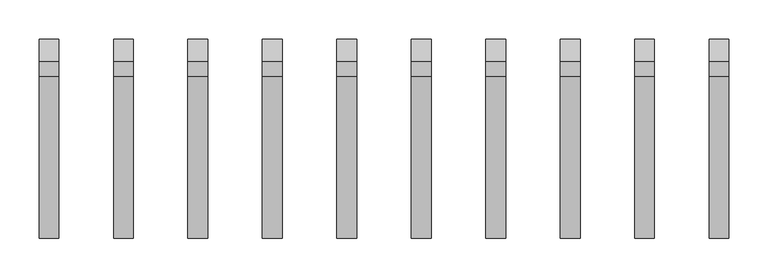
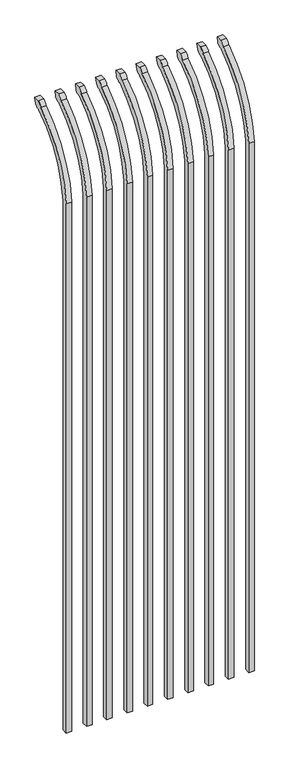
"""IFC4 building model written with IfcOpenShell, lengths in millimetres: railing geometry."""

from ifc_helpers import new_model, si_unit, point, frame, origin, place, context, project, spatial, polyline, circle_curve, ellipse_curve, trimmed, source, transform, mapped, element, save
from ifc_brep_helpers import plane_surface, cylinder_surface, revolved_surface, extruded_surface, advanced_brep


def railing_203ec3a9(model_context):
    return source(origin(), model_context, "Body", "AdvancedBrep", [
        advanced_brep(
        [(26128.4350064, 8857.619541, 50.8), (26128.4350064, 8857.619541, 2673.5226889), (26128.4350064, 9054.7326851, 3005.7022378), (26128.4350064, 9081.2407099, 3020.3867549), (26128.4350064, 9087.1100864, 3048.0), (26128.4350064, 9058.8799449, 3048.0), (26128.4350064, 9039.4931591, 3027.0682561), (26128.4350064, 8832.219541, 2673.5226889), (26128.4350064, 8832.219541, 50.8), (26103.0350064, 8857.619541, 50.8), (26103.0350064, 8857.619541, 2673.5226889), (26103.0350064, 8832.219541, 2673.5226889), (26103.0350064, 8832.219541, 50.8), (26103.0350064, 9039.4931591, 3027.0682561), (26103.0350064, 9058.8799449, 3048.0), (26103.0350064, 9087.1100864, 3048.0), (26103.0350064, 9081.2407099, 3020.3867549), (26103.0350064, 9054.7326851, 3005.7022378)],
        [
            (0, 1),
            (1, 2, circle_curve(frame((26128.4350064, 9294.9874207, 2638.5640776), z_axis=(-1.0, 0.0, 0.0), x_axis=(0.0, 1.0, 0.0)), 438.7627681)),
            (2, 3, ellipse_curve(frame((26128.4350064, 9062.5579376, 3028.1180619), z_axis=(1.0, 0.0, 0.0), x_axis=(0.0, -0.7771459614569761, -0.6293203910498311)), 26.7460194, 19.05)),
            (3, 4),
            (4, 5),
            (5, 6, ellipse_curve(frame((26128.4350064, 9062.5579376, 3028.1180619), z_axis=(0.9999999999999999, 0.0, 0.0), x_axis=(0.0, -0.7771459614569769, -0.62932039104983)), 26.7460194, 19.05)),
            (6, 7, circle_curve(frame((26128.4350064, 9294.0333244, 2640.3065933), z_axis=(1.0, 0.0, 0.0), x_axis=(0.0, 1.0, 0.0)), 463.0067812)),
            (7, 8),
            (8, 0),
            (0, 9),
            (9, 10),
            (10, 1),
            (7, 11),
            (11, 12),
            (12, 8),
            (12, 9),
            (11, 13, circle_curve(frame((26103.0350064, 9294.0333244, 2640.3065933), z_axis=(-1.0, 0.0, 0.0), x_axis=(0.0, 1.0, 0.0)), 463.0067812)),
            (13, 14, ellipse_curve(frame((26103.0350064, 9062.5579376, 3028.1180619), z_axis=(-0.9999999999999999, 0.0, 0.0), x_axis=(0.0, -0.7771459614569769, -0.62932039104983)), 26.7460194, 19.05)),
            (14, 15),
            (15, 16),
            (16, 17, ellipse_curve(frame((26103.0350064, 9062.5579376, 3028.1180619), z_axis=(-1.0, 0.0, 0.0), x_axis=(0.0, -0.7771459614569761, -0.6293203910498311)), 26.7460194, 19.05)),
            (17, 10, circle_curve(frame((26103.0350064, 9294.9874207, 2638.5640776), z_axis=(1.0, 0.0, 0.0), x_axis=(0.0, 1.0, 0.0)), 438.7627681)),
            (17, 2),
            (16, 3),
            (15, 4),
            (14, 5),
            (13, 6),
        ],
        [
            plane_surface(frame((26128.4350064, 8857.619541, 50.8), z_axis=(1.0, 0.0, 0.0), x_axis=(0.0, 0.0, 1.0))),
            plane_surface(frame((26128.4350064, 8857.619541, 50.8), z_axis=(0.0, 1.0, 0.0), x_axis=(-1.0, 0.0, 0.0))),
            plane_surface(frame((26128.4350064, 8832.219541, 2673.5226889), z_axis=(0.0, -1.0, 0.0), x_axis=(-1.0, 0.0, 0.0))),
            plane_surface(frame((26128.4350064, 8832.219541, 50.8), z_axis=(0.0, 0.0, -1.0), x_axis=(-1.0, 0.0, 0.0))),
            plane_surface(frame((26103.0350064, 8857.619541, 50.8), z_axis=(-1.0, 0.0, 0.0), x_axis=(0.0, 0.0, -1.0))),
            revolved_surface(polyline([(26103.0350064, 9733.750188799999, 2638.5640776), (26128.4350064, 9733.750188799999, 2638.5640776)]), (26103.0350064, 9294.9874207, 2638.5640776), (-1.0, 0.0, 0.0)),
            extruded_surface(trimmed(ellipse_curve(frame((26077.6350064, 9062.5579376, 3028.1180619), z_axis=(1.0, 0.0, 0.0), x_axis=(0.0, -0.7771459614569761, -0.6293203910498311)), 26.7460194, 19.05), [point((26077.6350064, 9054.7326851, 3005.7022378))], [point((26077.6350064, 9081.2407099, 3020.3867549))], True, "CARTESIAN"), (25.400000000001455, 0.0, 0.0), 25.400000000001455),
            plane_surface(frame((26128.4350064, 9081.2407099, 3020.3867549), z_axis=(0.0, 0.9781476007338016, -0.2079116908177787), x_axis=(-1.0, 0.0, 0.0))),
            plane_surface(frame((26128.4350064, 9087.1100864, 3048.0), z_axis=(0.0, 0.0, 1.0), x_axis=(-1.0, 0.0, 0.0))),
            extruded_surface(trimmed(ellipse_curve(frame((26077.6350064, 9062.5579376, 3028.1180619), z_axis=(0.9999999999999999, 0.0, 0.0), x_axis=(0.0, -0.7771459614569769, -0.62932039104983)), 26.7460194, 19.05), [point((26077.6350064, 9058.8799449, 3048.0))], [point((26077.6350064, 9039.4931591, 3027.0682561))], True, "CARTESIAN"), (25.400000000001455, 0.0, 0.0), 25.400000000001455),
            cylinder_surface(frame((26103.0350064, 9294.0333244, 2640.3065933), z_axis=(1.0, 0.0, 0.0), x_axis=(0.0, 1.0, 0.0)), 463.0067812),
        ],
        [
            (0, [[1, 2, 3, 4, 5, 6, 7, 8, 9]]),
            (1, [[-1, 10, 11, 12]]),
            (2, [[-8, 13, 14, 15]]),
            (3, [[-9, -15, 16, -10]]),
            (4, [[-16, -14, 17, 18, 19, 20, 21, 22, -11]]),
            (5, [[-2, -12, -22, 23]]),
            (6, [[-3, -23, -21, 24]]),
            (7, [[-4, -24, -20, 25]]),
            (8, [[-5, -25, -19, 26]]),
            (9, [[-6, -26, -18, 27]]),
            (10, [[-7, -27, -17, -13]]),
        ],
    ),
        advanced_brep(
        [(26033.1850064, 8857.619541, 50.8), (26033.1850064, 8857.619541, 2673.5226889), (26033.1850064, 9054.7326851, 3005.7022378), (26033.1850064, 9081.2407099, 3020.3867549), (26033.1850064, 9087.1100864, 3048.0), (26033.1850064, 9058.8799449, 3048.0), (26033.1850064, 9039.4931591, 3027.0682561), (26033.1850064, 8832.219541, 2673.5226889), (26033.1850064, 8832.219541, 50.8), (26007.7850064, 8857.619541, 50.8), (26007.7850064, 8857.619541, 2673.5226889), (26007.7850064, 8832.219541, 2673.5226889), (26007.7850064, 8832.219541, 50.8), (26007.7850064, 9039.4931591, 3027.0682561), (26007.7850064, 9058.8799449, 3048.0), (26007.7850064, 9087.1100864, 3048.0), (26007.7850064, 9081.2407099, 3020.3867549), (26007.7850064, 9054.7326851, 3005.7022378)],
        [
            (0, 1),
            (1, 2, circle_curve(frame((26033.1850064, 9294.9874207, 2638.5640776), z_axis=(-1.0, 0.0, 0.0), x_axis=(0.0, 1.0, 0.0)), 438.7627681)),
            (2, 3, ellipse_curve(frame((26033.1850064, 9062.5579376, 3028.1180619), z_axis=(1.0, 0.0, 0.0), x_axis=(0.0, -0.7771459614569761, -0.6293203910498311)), 26.7460194, 19.05)),
            (3, 4),
            (4, 5),
            (5, 6, ellipse_curve(frame((26033.1850064, 9062.5579376, 3028.1180619), z_axis=(0.9999999999999999, 0.0, 0.0), x_axis=(0.0, -0.7771459614569769, -0.62932039104983)), 26.7460194, 19.05)),
            (6, 7, circle_curve(frame((26033.1850064, 9294.0333244, 2640.3065933), z_axis=(1.0, 0.0, 0.0), x_axis=(0.0, 1.0, 0.0)), 463.0067812)),
            (7, 8),
            (8, 0),
            (0, 9),
            (9, 10),
            (10, 1),
            (7, 11),
            (11, 12),
            (12, 8),
            (12, 9),
            (11, 13, circle_curve(frame((26007.7850064, 9294.0333244, 2640.3065933), z_axis=(-1.0, 0.0, 0.0), x_axis=(0.0, 1.0, 0.0)), 463.0067812)),
            (13, 14, ellipse_curve(frame((26007.7850064, 9062.5579376, 3028.1180619), z_axis=(-0.9999999999999999, 0.0, 0.0), x_axis=(0.0, -0.7771459614569769, -0.62932039104983)), 26.7460194, 19.05)),
            (14, 15),
            (15, 16),
            (16, 17, ellipse_curve(frame((26007.7850064, 9062.5579376, 3028.1180619), z_axis=(-1.0, 0.0, 0.0), x_axis=(0.0, -0.7771459614569761, -0.6293203910498311)), 26.7460194, 19.05)),
            (17, 10, circle_curve(frame((26007.7850064, 9294.9874207, 2638.5640776), z_axis=(1.0, 0.0, 0.0), x_axis=(0.0, 1.0, 0.0)), 438.7627681)),
            (17, 2),
            (16, 3),
            (15, 4),
            (14, 5),
            (13, 6),
        ],
        [
            plane_surface(frame((26033.1850064, 8857.619541, 50.8), z_axis=(1.0, 0.0, 0.0), x_axis=(0.0, 0.0, 1.0))),
            plane_surface(frame((26033.1850064, 8857.619541, 50.8), z_axis=(0.0, 1.0, 0.0), x_axis=(-1.0, 0.0, 0.0))),
            plane_surface(frame((26033.1850064, 8832.219541, 2673.5226889), z_axis=(0.0, -1.0, 0.0), x_axis=(-1.0, 0.0, 0.0))),
            plane_surface(frame((26033.1850064, 8832.219541, 50.8), z_axis=(0.0, 0.0, -1.0), x_axis=(-1.0, 0.0, 0.0))),
            plane_surface(frame((26007.7850064, 8857.619541, 50.8), z_axis=(-1.0, 0.0, 0.0), x_axis=(0.0, 0.0, -1.0))),
            revolved_surface(polyline([(26007.7850064, 9733.750188799999, 2638.5640776), (26033.1850064, 9733.750188799999, 2638.5640776)]), (26007.7850064, 9294.9874207, 2638.5640776), (-1.0, 0.0, 0.0)),
            extruded_surface(trimmed(ellipse_curve(frame((25982.3850064, 9062.5579376, 3028.1180619), z_axis=(1.0, 0.0, 0.0), x_axis=(0.0, -0.7771459614569761, -0.6293203910498311)), 26.7460194, 19.05), [point((25982.3850064, 9054.7326851, 3005.7022378))], [point((25982.3850064, 9081.2407099, 3020.3867549))], True, "CARTESIAN"), (25.400000000001455, 0.0, 0.0), 25.400000000001455),
            plane_surface(frame((26033.1850064, 9081.2407099, 3020.3867549), z_axis=(0.0, 0.9781476007338016, -0.2079116908177787), x_axis=(-1.0, 0.0, 0.0))),
            plane_surface(frame((26033.1850064, 9087.1100864, 3048.0), z_axis=(0.0, 0.0, 1.0), x_axis=(-1.0, 0.0, 0.0))),
            extruded_surface(trimmed(ellipse_curve(frame((25982.3850064, 9062.5579376, 3028.1180619), z_axis=(0.9999999999999999, 0.0, 0.0), x_axis=(0.0, -0.7771459614569769, -0.62932039104983)), 26.7460194, 19.05), [point((25982.3850064, 9058.8799449, 3048.0))], [point((25982.3850064, 9039.4931591, 3027.0682561))], True, "CARTESIAN"), (25.400000000001455, 0.0, 0.0), 25.400000000001455),
            cylinder_surface(frame((26007.7850064, 9294.0333244, 2640.3065933), z_axis=(1.0, 0.0, 0.0), x_axis=(0.0, 1.0, 0.0)), 463.0067812),
        ],
        [
            (0, [[1, 2, 3, 4, 5, 6, 7, 8, 9]]),
            (1, [[-1, 10, 11, 12]]),
            (2, [[-8, 13, 14, 15]]),
            (3, [[-9, -15, 16, -10]]),
            (4, [[-16, -14, 17, 18, 19, 20, 21, 22, -11]]),
            (5, [[-2, -12, -22, 23]]),
            (6, [[-3, -23, -21, 24]]),
            (7, [[-4, -24, -20, 25]]),
            (8, [[-5, -25, -19, 26]]),
            (9, [[-6, -26, -18, 27]]),
            (10, [[-7, -27, -17, -13]]),
        ],
    ),
        advanced_brep(
        [(25937.9350064, 8857.619541, 50.8), (25937.9350064, 8857.619541, 2673.5226889), (25937.9350064, 9054.7326851, 3005.7022378), (25937.9350064, 9081.2407099, 3020.3867549), (25937.9350064, 9087.1100864, 3048.0), (25937.9350064, 9058.8799449, 3048.0), (25937.9350064, 9039.4931591, 3027.0682561), (25937.9350064, 8832.219541, 2673.5226889), (25937.9350064, 8832.219541, 50.8), (25912.5350064, 8857.619541, 50.8), (25912.5350064, 8857.619541, 2673.5226889), (25912.5350064, 8832.219541, 2673.5226889), (25912.5350064, 8832.219541, 50.8), (25912.5350064, 9039.4931591, 3027.0682561), (25912.5350064, 9058.8799449, 3048.0), (25912.5350064, 9087.1100864, 3048.0), (25912.5350064, 9081.2407099, 3020.3867549), (25912.5350064, 9054.7326851, 3005.7022378)],
        [
            (0, 1),
            (1, 2, circle_curve(frame((25937.9350064, 9294.9874207, 2638.5640776), z_axis=(-1.0, 0.0, 0.0), x_axis=(0.0, 1.0, 0.0)), 438.7627681)),
            (2, 3, ellipse_curve(frame((25937.9350064, 9062.5579376, 3028.1180619), z_axis=(1.0, 0.0, 0.0), x_axis=(0.0, -0.7771459614569761, -0.6293203910498311)), 26.7460194, 19.05)),
            (3, 4),
            (4, 5),
            (5, 6, ellipse_curve(frame((25937.9350064, 9062.5579376, 3028.1180619), z_axis=(0.9999999999999999, 0.0, 0.0), x_axis=(0.0, -0.7771459614569769, -0.62932039104983)), 26.7460194, 19.05)),
            (6, 7, circle_curve(frame((25937.9350064, 9294.0333244, 2640.3065933), z_axis=(1.0, 0.0, 0.0), x_axis=(0.0, 1.0, 0.0)), 463.0067812)),
            (7, 8),
            (8, 0),
            (0, 9),
            (9, 10),
            (10, 1),
            (7, 11),
            (11, 12),
            (12, 8),
            (12, 9),
            (11, 13, circle_curve(frame((25912.5350064, 9294.0333244, 2640.3065933), z_axis=(-1.0, 0.0, 0.0), x_axis=(0.0, 1.0, 0.0)), 463.0067812)),
            (13, 14, ellipse_curve(frame((25912.5350064, 9062.5579376, 3028.1180619), z_axis=(-0.9999999999999999, 0.0, 0.0), x_axis=(0.0, -0.7771459614569769, -0.62932039104983)), 26.7460194, 19.05)),
            (14, 15),
            (15, 16),
            (16, 17, ellipse_curve(frame((25912.5350064, 9062.5579376, 3028.1180619), z_axis=(-1.0, 0.0, 0.0), x_axis=(0.0, -0.7771459614569761, -0.6293203910498311)), 26.7460194, 19.05)),
            (17, 10, circle_curve(frame((25912.5350064, 9294.9874207, 2638.5640776), z_axis=(1.0, 0.0, 0.0), x_axis=(0.0, 1.0, 0.0)), 438.7627681)),
            (17, 2),
            (16, 3),
            (15, 4),
            (14, 5),
            (13, 6),
        ],
        [
            plane_surface(frame((25937.9350064, 8857.619541, 50.8), z_axis=(1.0, 0.0, 0.0), x_axis=(0.0, 0.0, 1.0))),
            plane_surface(frame((25937.9350064, 8857.619541, 50.8), z_axis=(0.0, 1.0, 0.0), x_axis=(-1.0, 0.0, 0.0))),
            plane_surface(frame((25937.9350064, 8832.219541, 2673.5226889), z_axis=(0.0, -1.0, 0.0), x_axis=(-1.0, 0.0, 0.0))),
            plane_surface(frame((25937.9350064, 8832.219541, 50.8), z_axis=(0.0, 0.0, -1.0), x_axis=(-1.0, 0.0, 0.0))),
            plane_surface(frame((25912.5350064, 8857.619541, 50.8), z_axis=(-1.0, 0.0, 0.0), x_axis=(0.0, 0.0, -1.0))),
            revolved_surface(polyline([(25912.5350064, 9733.750188799999, 2638.5640776), (25937.9350064, 9733.750188799999, 2638.5640776)]), (25912.5350064, 9294.9874207, 2638.5640776), (-1.0, 0.0, 0.0)),
            extruded_surface(trimmed(ellipse_curve(frame((25887.1350064, 9062.5579376, 3028.1180619), z_axis=(1.0, 0.0, 0.0), x_axis=(0.0, -0.7771459614569761, -0.6293203910498311)), 26.7460194, 19.05), [point((25887.1350064, 9054.7326851, 3005.7022378))], [point((25887.1350064, 9081.2407099, 3020.3867549))], True, "CARTESIAN"), (25.400000000001455, 0.0, 0.0), 25.400000000001455),
            plane_surface(frame((25937.9350064, 9081.2407099, 3020.3867549), z_axis=(0.0, 0.9781476007338016, -0.2079116908177787), x_axis=(-1.0, 0.0, 0.0))),
            plane_surface(frame((25937.9350064, 9087.1100864, 3048.0), z_axis=(0.0, 0.0, 1.0), x_axis=(-1.0, 0.0, 0.0))),
            extruded_surface(trimmed(ellipse_curve(frame((25887.1350064, 9062.5579376, 3028.1180619), z_axis=(0.9999999999999999, 0.0, 0.0), x_axis=(0.0, -0.7771459614569769, -0.62932039104983)), 26.7460194, 19.05), [point((25887.1350064, 9058.8799449, 3048.0))], [point((25887.1350064, 9039.4931591, 3027.0682561))], True, "CARTESIAN"), (25.400000000001455, 0.0, 0.0), 25.400000000001455),
            cylinder_surface(frame((25912.5350064, 9294.0333244, 2640.3065933), z_axis=(1.0, 0.0, 0.0), x_axis=(0.0, 1.0, 0.0)), 463.0067812),
        ],
        [
            (0, [[1, 2, 3, 4, 5, 6, 7, 8, 9]]),
            (1, [[-1, 10, 11, 12]]),
            (2, [[-8, 13, 14, 15]]),
            (3, [[-9, -15, 16, -10]]),
            (4, [[-16, -14, 17, 18, 19, 20, 21, 22, -11]]),
            (5, [[-2, -12, -22, 23]]),
            (6, [[-3, -23, -21, 24]]),
            (7, [[-4, -24, -20, 25]]),
            (8, [[-5, -25, -19, 26]]),
            (9, [[-6, -26, -18, 27]]),
            (10, [[-7, -27, -17, -13]]),
        ],
    ),
        advanced_brep(
        [(25842.6850064, 8857.619541, 50.8), (25842.6850064, 8857.619541, 2673.5226889), (25842.6850064, 9054.7326851, 3005.7022378), (25842.6850064, 9081.2407099, 3020.3867549), (25842.6850064, 9087.1100864, 3048.0), (25842.6850064, 9058.8799449, 3048.0), (25842.6850064, 9039.4931591, 3027.0682561), (25842.6850064, 8832.219541, 2673.5226889), (25842.6850064, 8832.219541, 50.8), (25817.2850064, 8857.619541, 50.8), (25817.2850064, 8857.619541, 2673.5226889), (25817.2850064, 8832.219541, 2673.5226889), (25817.2850064, 8832.219541, 50.8), (25817.2850064, 9039.4931591, 3027.0682561), (25817.2850064, 9058.8799449, 3048.0), (25817.2850064, 9087.1100864, 3048.0), (25817.2850064, 9081.2407099, 3020.3867549), (25817.2850064, 9054.7326851, 3005.7022378)],
        [
            (0, 1),
            (1, 2, circle_curve(frame((25842.6850064, 9294.9874207, 2638.5640776), z_axis=(-1.0, 0.0, 0.0), x_axis=(0.0, 1.0, 0.0)), 438.7627681)),
            (2, 3, ellipse_curve(frame((25842.6850064, 9062.5579376, 3028.1180619), z_axis=(1.0, 0.0, 0.0), x_axis=(0.0, -0.7771459614569761, -0.6293203910498311)), 26.7460194, 19.05)),
            (3, 4),
            (4, 5),
            (5, 6, ellipse_curve(frame((25842.6850064, 9062.5579376, 3028.1180619), z_axis=(0.9999999999999999, 0.0, 0.0), x_axis=(0.0, -0.7771459614569769, -0.62932039104983)), 26.7460194, 19.05)),
            (6, 7, circle_curve(frame((25842.6850064, 9294.0333244, 2640.3065933), z_axis=(1.0, 0.0, 0.0), x_axis=(0.0, 1.0, 0.0)), 463.0067812)),
            (7, 8),
            (8, 0),
            (0, 9),
            (9, 10),
            (10, 1),
            (7, 11),
            (11, 12),
            (12, 8),
            (12, 9),
            (11, 13, circle_curve(frame((25817.2850064, 9294.0333244, 2640.3065933), z_axis=(-1.0, 0.0, 0.0), x_axis=(0.0, 1.0, 0.0)), 463.0067812)),
            (13, 14, ellipse_curve(frame((25817.2850064, 9062.5579376, 3028.1180619), z_axis=(-0.9999999999999999, 0.0, 0.0), x_axis=(0.0, -0.7771459614569769, -0.62932039104983)), 26.7460194, 19.05)),
            (14, 15),
            (15, 16),
            (16, 17, ellipse_curve(frame((25817.2850064, 9062.5579376, 3028.1180619), z_axis=(-1.0, 0.0, 0.0), x_axis=(0.0, -0.7771459614569761, -0.6293203910498311)), 26.7460194, 19.05)),
            (17, 10, circle_curve(frame((25817.2850064, 9294.9874207, 2638.5640776), z_axis=(1.0, 0.0, 0.0), x_axis=(0.0, 1.0, 0.0)), 438.7627681)),
            (17, 2),
            (16, 3),
            (15, 4),
            (14, 5),
            (13, 6),
        ],
        [
            plane_surface(frame((25842.6850064, 8857.619541, 50.8), z_axis=(1.0, 0.0, 0.0), x_axis=(0.0, 0.0, 1.0))),
            plane_surface(frame((25842.6850064, 8857.619541, 50.8), z_axis=(0.0, 1.0, 0.0), x_axis=(-1.0, 0.0, 0.0))),
            plane_surface(frame((25842.6850064, 8832.219541, 2673.5226889), z_axis=(0.0, -1.0, 0.0), x_axis=(-1.0, 0.0, 0.0))),
            plane_surface(frame((25842.6850064, 8832.219541, 50.8), z_axis=(0.0, 0.0, -1.0), x_axis=(-1.0, 0.0, 0.0))),
            plane_surface(frame((25817.2850064, 8857.619541, 50.8), z_axis=(-1.0, 0.0, 0.0), x_axis=(0.0, 0.0, -1.0))),
            revolved_surface(polyline([(25817.2850064, 9733.750188799999, 2638.5640776), (25842.6850064, 9733.750188799999, 2638.5640776)]), (25817.2850064, 9294.9874207, 2638.5640776), (-1.0, 0.0, 0.0)),
            extruded_surface(trimmed(ellipse_curve(frame((25791.8850064, 9062.5579376, 3028.1180619), z_axis=(1.0, 0.0, 0.0), x_axis=(0.0, -0.7771459614569761, -0.6293203910498311)), 26.7460194, 19.05), [point((25791.8850064, 9054.7326851, 3005.7022378))], [point((25791.8850064, 9081.2407099, 3020.3867549))], True, "CARTESIAN"), (25.400000000001455, 0.0, 0.0), 25.400000000001455),
            plane_surface(frame((25842.6850064, 9081.2407099, 3020.3867549), z_axis=(0.0, 0.9781476007338016, -0.2079116908177787), x_axis=(-1.0, 0.0, 0.0))),
            plane_surface(frame((25842.6850064, 9087.1100864, 3048.0), z_axis=(0.0, 0.0, 1.0), x_axis=(-1.0, 0.0, 0.0))),
            extruded_surface(trimmed(ellipse_curve(frame((25791.8850064, 9062.5579376, 3028.1180619), z_axis=(0.9999999999999999, 0.0, 0.0), x_axis=(0.0, -0.7771459614569769, -0.62932039104983)), 26.7460194, 19.05), [point((25791.8850064, 9058.8799449, 3048.0))], [point((25791.8850064, 9039.4931591, 3027.0682561))], True, "CARTESIAN"), (25.400000000001455, 0.0, 0.0), 25.400000000001455),
            cylinder_surface(frame((25817.2850064, 9294.0333244, 2640.3065933), z_axis=(1.0, 0.0, 0.0), x_axis=(0.0, 1.0, 0.0)), 463.0067812),
        ],
        [
            (0, [[1, 2, 3, 4, 5, 6, 7, 8, 9]]),
            (1, [[-1, 10, 11, 12]]),
            (2, [[-8, 13, 14, 15]]),
            (3, [[-9, -15, 16, -10]]),
            (4, [[-16, -14, 17, 18, 19, 20, 21, 22, -11]]),
            (5, [[-2, -12, -22, 23]]),
            (6, [[-3, -23, -21, 24]]),
            (7, [[-4, -24, -20, 25]]),
            (8, [[-5, -25, -19, 26]]),
            (9, [[-6, -26, -18, 27]]),
            (10, [[-7, -27, -17, -13]]),
        ],
    ),
        advanced_brep(
        [(25747.4350064, 8857.619541, 50.8), (25747.4350064, 8857.619541, 2673.5226889), (25747.4350064, 9054.7326851, 3005.7022378), (25747.4350064, 9081.2407099, 3020.3867549), (25747.4350064, 9087.1100864, 3048.0), (25747.4350064, 9058.8799449, 3048.0), (25747.4350064, 9039.4931591, 3027.0682561), (25747.4350064, 8832.219541, 2673.5226889), (25747.4350064, 8832.219541, 50.8), (25722.0350064, 8857.619541, 50.8), (25722.0350064, 8857.619541, 2673.5226889), (25722.0350064, 8832.219541, 2673.5226889), (25722.0350064, 8832.219541, 50.8), (25722.0350064, 9039.4931591, 3027.0682561), (25722.0350064, 9058.8799449, 3048.0), (25722.0350064, 9087.1100864, 3048.0), (25722.0350064, 9081.2407099, 3020.3867549), (25722.0350064, 9054.7326851, 3005.7022378)],
        [
            (0, 1),
            (1, 2, circle_curve(frame((25747.4350064, 9294.9874207, 2638.5640776), z_axis=(-1.0, 0.0, 0.0), x_axis=(0.0, 1.0, 0.0)), 438.7627681)),
            (2, 3, ellipse_curve(frame((25747.4350064, 9062.5579376, 3028.1180619), z_axis=(1.0, 0.0, 0.0), x_axis=(0.0, -0.7771459614569761, -0.6293203910498311)), 26.7460194, 19.05)),
            (3, 4),
            (4, 5),
            (5, 6, ellipse_curve(frame((25747.4350064, 9062.5579376, 3028.1180619), z_axis=(0.9999999999999999, 0.0, 0.0), x_axis=(0.0, -0.7771459614569769, -0.62932039104983)), 26.7460194, 19.05)),
            (6, 7, circle_curve(frame((25747.4350064, 9294.0333244, 2640.3065933), z_axis=(1.0, 0.0, 0.0), x_axis=(0.0, 1.0, 0.0)), 463.0067812)),
            (7, 8),
            (8, 0),
            (0, 9),
            (9, 10),
            (10, 1),
            (7, 11),
            (11, 12),
            (12, 8),
            (12, 9),
            (11, 13, circle_curve(frame((25722.0350064, 9294.0333244, 2640.3065933), z_axis=(-1.0, 0.0, 0.0), x_axis=(0.0, 1.0, 0.0)), 463.0067812)),
            (13, 14, ellipse_curve(frame((25722.0350064, 9062.5579376, 3028.1180619), z_axis=(-0.9999999999999999, 0.0, 0.0), x_axis=(0.0, -0.7771459614569769, -0.62932039104983)), 26.7460194, 19.05)),
            (14, 15),
            (15, 16),
            (16, 17, ellipse_curve(frame((25722.0350064, 9062.5579376, 3028.1180619), z_axis=(-1.0, 0.0, 0.0), x_axis=(0.0, -0.7771459614569761, -0.6293203910498311)), 26.7460194, 19.05)),
            (17, 10, circle_curve(frame((25722.0350064, 9294.9874207, 2638.5640776), z_axis=(1.0, 0.0, 0.0), x_axis=(0.0, 1.0, 0.0)), 438.7627681)),
            (17, 2),
            (16, 3),
            (15, 4),
            (14, 5),
            (13, 6),
        ],
        [
            plane_surface(frame((25747.4350064, 8857.619541, 50.8), z_axis=(1.0, 0.0, 0.0), x_axis=(0.0, 0.0, 1.0))),
            plane_surface(frame((25747.4350064, 8857.619541, 50.8), z_axis=(0.0, 1.0, 0.0), x_axis=(-1.0, 0.0, 0.0))),
            plane_surface(frame((25747.4350064, 8832.219541, 2673.5226889), z_axis=(0.0, -1.0, 0.0), x_axis=(-1.0, 0.0, 0.0))),
            plane_surface(frame((25747.4350064, 8832.219541, 50.8), z_axis=(0.0, 0.0, -1.0), x_axis=(-1.0, 0.0, 0.0))),
            plane_surface(frame((25722.0350064, 8857.619541, 50.8), z_axis=(-1.0, 0.0, 0.0), x_axis=(0.0, 0.0, -1.0))),
            revolved_surface(polyline([(25722.0350064, 9733.750188799999, 2638.5640776), (25747.4350064, 9733.750188799999, 2638.5640776)]), (25722.0350064, 9294.9874207, 2638.5640776), (-1.0, 0.0, 0.0)),
            extruded_surface(trimmed(ellipse_curve(frame((25696.6350064, 9062.5579376, 3028.1180619), z_axis=(1.0, 0.0, 0.0), x_axis=(0.0, -0.7771459614569761, -0.6293203910498311)), 26.7460194, 19.05), [point((25696.6350064, 9054.7326851, 3005.7022378))], [point((25696.6350064, 9081.2407099, 3020.3867549))], True, "CARTESIAN"), (25.400000000001455, 0.0, 0.0), 25.400000000001455),
            plane_surface(frame((25747.4350064, 9081.2407099, 3020.3867549), z_axis=(0.0, 0.9781476007338016, -0.2079116908177787), x_axis=(-1.0, 0.0, 0.0))),
            plane_surface(frame((25747.4350064, 9087.1100864, 3048.0), z_axis=(0.0, 0.0, 1.0), x_axis=(-1.0, 0.0, 0.0))),
            extruded_surface(trimmed(ellipse_curve(frame((25696.6350064, 9062.5579376, 3028.1180619), z_axis=(0.9999999999999999, 0.0, 0.0), x_axis=(0.0, -0.7771459614569769, -0.62932039104983)), 26.7460194, 19.05), [point((25696.6350064, 9058.8799449, 3048.0))], [point((25696.6350064, 9039.4931591, 3027.0682561))], True, "CARTESIAN"), (25.400000000001455, 0.0, 0.0), 25.400000000001455),
            cylinder_surface(frame((25722.0350064, 9294.0333244, 2640.3065933), z_axis=(1.0, 0.0, 0.0), x_axis=(0.0, 1.0, 0.0)), 463.0067812),
        ],
        [
            (0, [[1, 2, 3, 4, 5, 6, 7, 8, 9]]),
            (1, [[-1, 10, 11, 12]]),
            (2, [[-8, 13, 14, 15]]),
            (3, [[-9, -15, 16, -10]]),
            (4, [[-16, -14, 17, 18, 19, 20, 21, 22, -11]]),
            (5, [[-2, -12, -22, 23]]),
            (6, [[-3, -23, -21, 24]]),
            (7, [[-4, -24, -20, 25]]),
            (8, [[-5, -25, -19, 26]]),
            (9, [[-6, -26, -18, 27]]),
            (10, [[-7, -27, -17, -13]]),
        ],
    ),
        advanced_brep(
        [(25652.1850064, 8857.619541, 50.8), (25652.1850064, 8857.619541, 2673.5226889), (25652.1850064, 9054.7326851, 3005.7022378), (25652.1850064, 9081.2407099, 3020.3867549), (25652.1850064, 9087.1100864, 3048.0), (25652.1850064, 9058.8799449, 3048.0), (25652.1850064, 9039.4931591, 3027.0682561), (25652.1850064, 8832.219541, 2673.5226889), (25652.1850064, 8832.219541, 50.8), (25626.7850064, 8857.619541, 50.8), (25626.7850064, 8857.619541, 2673.5226889), (25626.7850064, 8832.219541, 2673.5226889), (25626.7850064, 8832.219541, 50.8), (25626.7850064, 9039.4931591, 3027.0682561), (25626.7850064, 9058.8799449, 3048.0), (25626.7850064, 9087.1100864, 3048.0), (25626.7850064, 9081.2407099, 3020.3867549), (25626.7850064, 9054.7326851, 3005.7022378)],
        [
            (0, 1),
            (1, 2, circle_curve(frame((25652.1850064, 9294.9874207, 2638.5640776), z_axis=(-1.0, 0.0, 0.0), x_axis=(0.0, 1.0, 0.0)), 438.7627681)),
            (2, 3, ellipse_curve(frame((25652.1850064, 9062.5579376, 3028.1180619), z_axis=(1.0, 0.0, 0.0), x_axis=(0.0, -0.7771459614569761, -0.6293203910498311)), 26.7460194, 19.05)),
            (3, 4),
            (4, 5),
            (5, 6, ellipse_curve(frame((25652.1850064, 9062.5579376, 3028.1180619), z_axis=(0.9999999999999999, 0.0, 0.0), x_axis=(0.0, -0.7771459614569769, -0.62932039104983)), 26.7460194, 19.05)),
            (6, 7, circle_curve(frame((25652.1850064, 9294.0333244, 2640.3065933), z_axis=(1.0, 0.0, 0.0), x_axis=(0.0, 1.0, 0.0)), 463.0067812)),
            (7, 8),
            (8, 0),
            (0, 9),
            (9, 10),
            (10, 1),
            (7, 11),
            (11, 12),
            (12, 8),
            (12, 9),
            (11, 13, circle_curve(frame((25626.7850064, 9294.0333244, 2640.3065933), z_axis=(-1.0, 0.0, 0.0), x_axis=(0.0, 1.0, 0.0)), 463.0067812)),
            (13, 14, ellipse_curve(frame((25626.7850064, 9062.5579376, 3028.1180619), z_axis=(-0.9999999999999999, 0.0, 0.0), x_axis=(0.0, -0.7771459614569769, -0.62932039104983)), 26.7460194, 19.05)),
            (14, 15),
            (15, 16),
            (16, 17, ellipse_curve(frame((25626.7850064, 9062.5579376, 3028.1180619), z_axis=(-1.0, 0.0, 0.0), x_axis=(0.0, -0.7771459614569761, -0.6293203910498311)), 26.7460194, 19.05)),
            (17, 10, circle_curve(frame((25626.7850064, 9294.9874207, 2638.5640776), z_axis=(1.0, 0.0, 0.0), x_axis=(0.0, 1.0, 0.0)), 438.7627681)),
            (17, 2),
            (16, 3),
            (15, 4),
            (14, 5),
            (13, 6),
        ],
        [
            plane_surface(frame((25652.1850064, 8857.619541, 50.8), z_axis=(1.0, 0.0, 0.0), x_axis=(0.0, 0.0, 1.0))),
            plane_surface(frame((25652.1850064, 8857.619541, 50.8), z_axis=(0.0, 1.0, 0.0), x_axis=(-1.0, 0.0, 0.0))),
            plane_surface(frame((25652.1850064, 8832.219541, 2673.5226889), z_axis=(0.0, -1.0, 0.0), x_axis=(-1.0, 0.0, 0.0))),
            plane_surface(frame((25652.1850064, 8832.219541, 50.8), z_axis=(0.0, 0.0, -1.0), x_axis=(-1.0, 0.0, 0.0))),
            plane_surface(frame((25626.7850064, 8857.619541, 50.8), z_axis=(-1.0, 0.0, 0.0), x_axis=(0.0, 0.0, -1.0))),
            revolved_surface(polyline([(25626.7850064, 9733.750188799999, 2638.5640776), (25652.1850064, 9733.750188799999, 2638.5640776)]), (25626.7850064, 9294.9874207, 2638.5640776), (-1.0, 0.0, 0.0)),
            extruded_surface(trimmed(ellipse_curve(frame((25601.3850064, 9062.5579376, 3028.1180619), z_axis=(1.0, 0.0, 0.0), x_axis=(0.0, -0.7771459614569761, -0.6293203910498311)), 26.7460194, 19.05), [point((25601.3850064, 9054.7326851, 3005.7022378))], [point((25601.3850064, 9081.2407099, 3020.3867549))], True, "CARTESIAN"), (25.400000000001455, 0.0, 0.0), 25.400000000001455),
            plane_surface(frame((25652.1850064, 9081.2407099, 3020.3867549), z_axis=(0.0, 0.9781476007338016, -0.2079116908177787), x_axis=(-1.0, 0.0, 0.0))),
            plane_surface(frame((25652.1850064, 9087.1100864, 3048.0), z_axis=(0.0, 0.0, 1.0), x_axis=(-1.0, 0.0, 0.0))),
            extruded_surface(trimmed(ellipse_curve(frame((25601.3850064, 9062.5579376, 3028.1180619), z_axis=(0.9999999999999999, 0.0, 0.0), x_axis=(0.0, -0.7771459614569769, -0.62932039104983)), 26.7460194, 19.05), [point((25601.3850064, 9058.8799449, 3048.0))], [point((25601.3850064, 9039.4931591, 3027.0682561))], True, "CARTESIAN"), (25.400000000001455, 0.0, 0.0), 25.400000000001455),
            cylinder_surface(frame((25626.7850064, 9294.0333244, 2640.3065933), z_axis=(1.0, 0.0, 0.0), x_axis=(0.0, 1.0, 0.0)), 463.0067812),
        ],
        [
            (0, [[1, 2, 3, 4, 5, 6, 7, 8, 9]]),
            (1, [[-1, 10, 11, 12]]),
            (2, [[-8, 13, 14, 15]]),
            (3, [[-9, -15, 16, -10]]),
            (4, [[-16, -14, 17, 18, 19, 20, 21, 22, -11]]),
            (5, [[-2, -12, -22, 23]]),
            (6, [[-3, -23, -21, 24]]),
            (7, [[-4, -24, -20, 25]]),
            (8, [[-5, -25, -19, 26]]),
            (9, [[-6, -26, -18, 27]]),
            (10, [[-7, -27, -17, -13]]),
        ],
    ),
        advanced_brep(
        [(25556.9350064, 8857.619541, 50.8), (25556.9350064, 8857.619541, 2673.5226889), (25556.9350064, 9054.7326851, 3005.7022378), (25556.9350064, 9081.2407099, 3020.3867549), (25556.9350064, 9087.1100864, 3048.0), (25556.9350064, 9058.8799449, 3048.0), (25556.9350064, 9039.4931591, 3027.0682561), (25556.9350064, 8832.219541, 2673.5226889), (25556.9350064, 8832.219541, 50.8), (25531.5350064, 8857.619541, 50.8), (25531.5350064, 8857.619541, 2673.5226889), (25531.5350064, 8832.219541, 2673.5226889), (25531.5350064, 8832.219541, 50.8), (25531.5350064, 9039.4931591, 3027.0682561), (25531.5350064, 9058.8799449, 3048.0), (25531.5350064, 9087.1100864, 3048.0), (25531.5350064, 9081.2407099, 3020.3867549), (25531.5350064, 9054.7326851, 3005.7022378)],
        [
            (0, 1),
            (1, 2, circle_curve(frame((25556.9350064, 9294.9874207, 2638.5640776), z_axis=(-1.0, 0.0, 0.0), x_axis=(0.0, 1.0, 0.0)), 438.7627681)),
            (2, 3, ellipse_curve(frame((25556.9350064, 9062.5579376, 3028.1180619), z_axis=(1.0, 0.0, 0.0), x_axis=(0.0, -0.7771459614569761, -0.6293203910498311)), 26.7460194, 19.05)),
            (3, 4),
            (4, 5),
            (5, 6, ellipse_curve(frame((25556.9350064, 9062.5579376, 3028.1180619), z_axis=(0.9999999999999999, 0.0, 0.0), x_axis=(0.0, -0.7771459614569769, -0.62932039104983)), 26.7460194, 19.05)),
            (6, 7, circle_curve(frame((25556.9350064, 9294.0333244, 2640.3065933), z_axis=(1.0, 0.0, 0.0), x_axis=(0.0, 1.0, 0.0)), 463.0067812)),
            (7, 8),
            (8, 0),
            (0, 9),
            (9, 10),
            (10, 1),
            (7, 11),
            (11, 12),
            (12, 8),
            (12, 9),
            (11, 13, circle_curve(frame((25531.5350064, 9294.0333244, 2640.3065933), z_axis=(-1.0, 0.0, 0.0), x_axis=(0.0, 1.0, 0.0)), 463.0067812)),
            (13, 14, ellipse_curve(frame((25531.5350064, 9062.5579376, 3028.1180619), z_axis=(-0.9999999999999999, 0.0, 0.0), x_axis=(0.0, -0.7771459614569769, -0.62932039104983)), 26.7460194, 19.05)),
            (14, 15),
            (15, 16),
            (16, 17, ellipse_curve(frame((25531.5350064, 9062.5579376, 3028.1180619), z_axis=(-1.0, 0.0, 0.0), x_axis=(0.0, -0.7771459614569761, -0.6293203910498311)), 26.7460194, 19.05)),
            (17, 10, circle_curve(frame((25531.5350064, 9294.9874207, 2638.5640776), z_axis=(1.0, 0.0, 0.0), x_axis=(0.0, 1.0, 0.0)), 438.7627681)),
            (17, 2),
            (16, 3),
            (15, 4),
            (14, 5),
            (13, 6),
        ],
        [
            plane_surface(frame((25556.9350064, 8857.619541, 50.8), z_axis=(1.0, 0.0, 0.0), x_axis=(0.0, 0.0, 1.0))),
            plane_surface(frame((25556.9350064, 8857.619541, 50.8), z_axis=(0.0, 1.0, 0.0), x_axis=(-1.0, 0.0, 0.0))),
            plane_surface(frame((25556.9350064, 8832.219541, 2673.5226889), z_axis=(0.0, -1.0, 0.0), x_axis=(-1.0, 0.0, 0.0))),
            plane_surface(frame((25556.9350064, 8832.219541, 50.8), z_axis=(0.0, 0.0, -1.0), x_axis=(-1.0, 0.0, 0.0))),
            plane_surface(frame((25531.5350064, 8857.619541, 50.8), z_axis=(-1.0, 0.0, 0.0), x_axis=(0.0, 0.0, -1.0))),
            revolved_surface(polyline([(25531.5350064, 9733.750188799999, 2638.5640776), (25556.9350064, 9733.750188799999, 2638.5640776)]), (25531.5350064, 9294.9874207, 2638.5640776), (-1.0, 0.0, 0.0)),
            extruded_surface(trimmed(ellipse_curve(frame((25506.1350064, 9062.5579376, 3028.1180619), z_axis=(1.0, 0.0, 0.0), x_axis=(0.0, -0.7771459614569761, -0.6293203910498311)), 26.7460194, 19.05), [point((25506.1350064, 9054.7326851, 3005.7022378))], [point((25506.1350064, 9081.2407099, 3020.3867549))], True, "CARTESIAN"), (25.400000000001455, 0.0, 0.0), 25.400000000001455),
            plane_surface(frame((25556.9350064, 9081.2407099, 3020.3867549), z_axis=(0.0, 0.9781476007338016, -0.2079116908177787), x_axis=(-1.0, 0.0, 0.0))),
            plane_surface(frame((25556.9350064, 9087.1100864, 3048.0), z_axis=(0.0, 0.0, 1.0), x_axis=(-1.0, 0.0, 0.0))),
            extruded_surface(trimmed(ellipse_curve(frame((25506.1350064, 9062.5579376, 3028.1180619), z_axis=(0.9999999999999999, 0.0, 0.0), x_axis=(0.0, -0.7771459614569769, -0.62932039104983)), 26.7460194, 19.05), [point((25506.1350064, 9058.8799449, 3048.0))], [point((25506.1350064, 9039.4931591, 3027.0682561))], True, "CARTESIAN"), (25.400000000001455, 0.0, 0.0), 25.400000000001455),
            cylinder_surface(frame((25531.5350064, 9294.0333244, 2640.3065933), z_axis=(1.0, 0.0, 0.0), x_axis=(0.0, 1.0, 0.0)), 463.0067812),
        ],
        [
            (0, [[1, 2, 3, 4, 5, 6, 7, 8, 9]]),
            (1, [[-1, 10, 11, 12]]),
            (2, [[-8, 13, 14, 15]]),
            (3, [[-9, -15, 16, -10]]),
            (4, [[-16, -14, 17, 18, 19, 20, 21, 22, -11]]),
            (5, [[-2, -12, -22, 23]]),
            (6, [[-3, -23, -21, 24]]),
            (7, [[-4, -24, -20, 25]]),
            (8, [[-5, -25, -19, 26]]),
            (9, [[-6, -26, -18, 27]]),
            (10, [[-7, -27, -17, -13]]),
        ],
    ),
        advanced_brep(
        [(25461.6850064, 8857.619541, 50.8), (25461.6850064, 8857.619541, 2673.5226889), (25461.6850064, 9054.7326851, 3005.7022378), (25461.6850064, 9081.2407099, 3020.3867549), (25461.6850064, 9087.1100864, 3048.0), (25461.6850064, 9058.8799449, 3048.0), (25461.6850064, 9039.4931591, 3027.0682561), (25461.6850064, 8832.219541, 2673.5226889), (25461.6850064, 8832.219541, 50.8), (25436.2850064, 8857.619541, 50.8), (25436.2850064, 8857.619541, 2673.5226889), (25436.2850064, 8832.219541, 2673.5226889), (25436.2850064, 8832.219541, 50.8), (25436.2850064, 9039.4931591, 3027.0682561), (25436.2850064, 9058.8799449, 3048.0), (25436.2850064, 9087.1100864, 3048.0), (25436.2850064, 9081.2407099, 3020.3867549), (25436.2850064, 9054.7326851, 3005.7022378)],
        [
            (0, 1),
            (1, 2, circle_curve(frame((25461.6850064, 9294.9874207, 2638.5640776), z_axis=(-1.0, 0.0, 0.0), x_axis=(0.0, 1.0, 0.0)), 438.7627681)),
            (2, 3, ellipse_curve(frame((25461.6850064, 9062.5579376, 3028.1180619), z_axis=(1.0, 0.0, 0.0), x_axis=(0.0, -0.7771459614569761, -0.6293203910498311)), 26.7460194, 19.05)),
            (3, 4),
            (4, 5),
            (5, 6, ellipse_curve(frame((25461.6850064, 9062.5579376, 3028.1180619), z_axis=(0.9999999999999999, 0.0, 0.0), x_axis=(0.0, -0.7771459614569769, -0.62932039104983)), 26.7460194, 19.05)),
            (6, 7, circle_curve(frame((25461.6850064, 9294.0333244, 2640.3065933), z_axis=(1.0, 0.0, 0.0), x_axis=(0.0, 1.0, 0.0)), 463.0067812)),
            (7, 8),
            (8, 0),
            (0, 9),
            (9, 10),
            (10, 1),
            (7, 11),
            (11, 12),
            (12, 8),
            (12, 9),
            (11, 13, circle_curve(frame((25436.2850064, 9294.0333244, 2640.3065933), z_axis=(-1.0, 0.0, 0.0), x_axis=(0.0, 1.0, 0.0)), 463.0067812)),
            (13, 14, ellipse_curve(frame((25436.2850064, 9062.5579376, 3028.1180619), z_axis=(-0.9999999999999999, 0.0, 0.0), x_axis=(0.0, -0.7771459614569769, -0.62932039104983)), 26.7460194, 19.05)),
            (14, 15),
            (15, 16),
            (16, 17, ellipse_curve(frame((25436.2850064, 9062.5579376, 3028.1180619), z_axis=(-1.0, 0.0, 0.0), x_axis=(0.0, -0.7771459614569761, -0.6293203910498311)), 26.7460194, 19.05)),
            (17, 10, circle_curve(frame((25436.2850064, 9294.9874207, 2638.5640776), z_axis=(1.0, 0.0, 0.0), x_axis=(0.0, 1.0, 0.0)), 438.7627681)),
            (17, 2),
            (16, 3),
            (15, 4),
            (14, 5),
            (13, 6),
        ],
        [
            plane_surface(frame((25461.6850064, 8857.619541, 50.8), z_axis=(1.0, 0.0, 0.0), x_axis=(0.0, 0.0, 1.0))),
            plane_surface(frame((25461.6850064, 8857.619541, 50.8), z_axis=(0.0, 1.0, 0.0), x_axis=(-1.0, 0.0, 0.0))),
            plane_surface(frame((25461.6850064, 8832.219541, 2673.5226889), z_axis=(0.0, -1.0, 0.0), x_axis=(-1.0, 0.0, 0.0))),
            plane_surface(frame((25461.6850064, 8832.219541, 50.8), z_axis=(0.0, 0.0, -1.0), x_axis=(-1.0, 0.0, 0.0))),
            plane_surface(frame((25436.2850064, 8857.619541, 50.8), z_axis=(-1.0, 0.0, 0.0), x_axis=(0.0, 0.0, -1.0))),
            revolved_surface(polyline([(25436.2850064, 9733.750188799999, 2638.5640776), (25461.6850064, 9733.750188799999, 2638.5640776)]), (25436.2850064, 9294.9874207, 2638.5640776), (-1.0, 0.0, 0.0)),
            extruded_surface(trimmed(ellipse_curve(frame((25410.8850064, 9062.5579376, 3028.1180619), z_axis=(1.0, 0.0, 0.0), x_axis=(0.0, -0.7771459614569761, -0.6293203910498311)), 26.7460194, 19.05), [point((25410.8850064, 9054.7326851, 3005.7022378))], [point((25410.8850064, 9081.2407099, 3020.3867549))], True, "CARTESIAN"), (25.400000000001455, 0.0, 0.0), 25.400000000001455),
            plane_surface(frame((25461.6850064, 9081.2407099, 3020.3867549), z_axis=(0.0, 0.9781476007338016, -0.2079116908177787), x_axis=(-1.0, 0.0, 0.0))),
            plane_surface(frame((25461.6850064, 9087.1100864, 3048.0), z_axis=(0.0, 0.0, 1.0), x_axis=(-1.0, 0.0, 0.0))),
            extruded_surface(trimmed(ellipse_curve(frame((25410.8850064, 9062.5579376, 3028.1180619), z_axis=(0.9999999999999999, 0.0, 0.0), x_axis=(0.0, -0.7771459614569769, -0.62932039104983)), 26.7460194, 19.05), [point((25410.8850064, 9058.8799449, 3048.0))], [point((25410.8850064, 9039.4931591, 3027.0682561))], True, "CARTESIAN"), (25.400000000001455, 0.0, 0.0), 25.400000000001455),
            cylinder_surface(frame((25436.2850064, 9294.0333244, 2640.3065933), z_axis=(1.0, 0.0, 0.0), x_axis=(0.0, 1.0, 0.0)), 463.0067812),
        ],
        [
            (0, [[1, 2, 3, 4, 5, 6, 7, 8, 9]]),
            (1, [[-1, 10, 11, 12]]),
            (2, [[-8, 13, 14, 15]]),
            (3, [[-9, -15, 16, -10]]),
            (4, [[-16, -14, 17, 18, 19, 20, 21, 22, -11]]),
            (5, [[-2, -12, -22, 23]]),
            (6, [[-3, -23, -21, 24]]),
            (7, [[-4, -24, -20, 25]]),
            (8, [[-5, -25, -19, 26]]),
            (9, [[-6, -26, -18, 27]]),
            (10, [[-7, -27, -17, -13]]),
        ],
    ),
        advanced_brep(
        [(25366.4350064, 8857.619541, 50.8), (25366.4350064, 8857.619541, 2673.5226889), (25366.4350064, 9054.7326851, 3005.7022378), (25366.4350064, 9081.2407099, 3020.3867549), (25366.4350064, 9087.1100864, 3048.0), (25366.4350064, 9058.8799449, 3048.0), (25366.4350064, 9039.4931591, 3027.0682561), (25366.4350064, 8832.219541, 2673.5226889), (25366.4350064, 8832.219541, 50.8), (25341.0350064, 8857.619541, 50.8), (25341.0350064, 8857.619541, 2673.5226889), (25341.0350064, 8832.219541, 2673.5226889), (25341.0350064, 8832.219541, 50.8), (25341.0350064, 9039.4931591, 3027.0682561), (25341.0350064, 9058.8799449, 3048.0), (25341.0350064, 9087.1100864, 3048.0), (25341.0350064, 9081.2407099, 3020.3867549), (25341.0350064, 9054.7326851, 3005.7022378)],
        [
            (0, 1),
            (1, 2, circle_curve(frame((25366.4350064, 9294.9874207, 2638.5640776), z_axis=(-1.0, 0.0, 0.0), x_axis=(0.0, 1.0, 0.0)), 438.7627681)),
            (2, 3, ellipse_curve(frame((25366.4350064, 9062.5579376, 3028.1180619), z_axis=(1.0, 0.0, 0.0), x_axis=(0.0, -0.7771459614569761, -0.6293203910498311)), 26.7460194, 19.05)),
            (3, 4),
            (4, 5),
            (5, 6, ellipse_curve(frame((25366.4350064, 9062.5579376, 3028.1180619), z_axis=(0.9999999999999999, 0.0, 0.0), x_axis=(0.0, -0.7771459614569769, -0.62932039104983)), 26.7460194, 19.05)),
            (6, 7, circle_curve(frame((25366.4350064, 9294.0333244, 2640.3065933), z_axis=(1.0, 0.0, 0.0), x_axis=(0.0, 1.0, 0.0)), 463.0067812)),
            (7, 8),
            (8, 0),
            (0, 9),
            (9, 10),
            (10, 1),
            (7, 11),
            (11, 12),
            (12, 8),
            (12, 9),
            (11, 13, circle_curve(frame((25341.0350064, 9294.0333244, 2640.3065933), z_axis=(-1.0, 0.0, 0.0), x_axis=(0.0, 1.0, 0.0)), 463.0067812)),
            (13, 14, ellipse_curve(frame((25341.0350064, 9062.5579376, 3028.1180619), z_axis=(-0.9999999999999999, 0.0, 0.0), x_axis=(0.0, -0.7771459614569769, -0.62932039104983)), 26.7460194, 19.05)),
            (14, 15),
            (15, 16),
            (16, 17, ellipse_curve(frame((25341.0350064, 9062.5579376, 3028.1180619), z_axis=(-1.0, 0.0, 0.0), x_axis=(0.0, -0.7771459614569761, -0.6293203910498311)), 26.7460194, 19.05)),
            (17, 10, circle_curve(frame((25341.0350064, 9294.9874207, 2638.5640776), z_axis=(1.0, 0.0, 0.0), x_axis=(0.0, 1.0, 0.0)), 438.7627681)),
            (17, 2),
            (16, 3),
            (15, 4),
            (14, 5),
            (13, 6),
        ],
        [
            plane_surface(frame((25366.4350064, 8857.619541, 50.8), z_axis=(1.0, 0.0, 0.0), x_axis=(0.0, 0.0, 1.0))),
            plane_surface(frame((25366.4350064, 8857.619541, 50.8), z_axis=(0.0, 1.0, 0.0), x_axis=(-1.0, 0.0, 0.0))),
            plane_surface(frame((25366.4350064, 8832.219541, 2673.5226889), z_axis=(0.0, -1.0, 0.0), x_axis=(-1.0, 0.0, 0.0))),
            plane_surface(frame((25366.4350064, 8832.219541, 50.8), z_axis=(0.0, 0.0, -1.0), x_axis=(-1.0, 0.0, 0.0))),
            plane_surface(frame((25341.0350064, 8857.619541, 50.8), z_axis=(-1.0, 0.0, 0.0), x_axis=(0.0, 0.0, -1.0))),
            revolved_surface(polyline([(25341.0350064, 9733.750188799999, 2638.5640776), (25366.4350064, 9733.750188799999, 2638.5640776)]), (25341.0350064, 9294.9874207, 2638.5640776), (-1.0, 0.0, 0.0)),
            extruded_surface(trimmed(ellipse_curve(frame((25315.6350064, 9062.5579376, 3028.1180619), z_axis=(1.0, 0.0, 0.0), x_axis=(0.0, -0.7771459614569761, -0.6293203910498311)), 26.7460194, 19.05), [point((25315.6350064, 9054.7326851, 3005.7022378))], [point((25315.6350064, 9081.2407099, 3020.3867549))], True, "CARTESIAN"), (25.400000000001455, 0.0, 0.0), 25.400000000001455),
            plane_surface(frame((25366.4350064, 9081.2407099, 3020.3867549), z_axis=(0.0, 0.9781476007338016, -0.2079116908177787), x_axis=(-1.0, 0.0, 0.0))),
            plane_surface(frame((25366.4350064, 9087.1100864, 3048.0), z_axis=(0.0, 0.0, 1.0), x_axis=(-1.0, 0.0, 0.0))),
            extruded_surface(trimmed(ellipse_curve(frame((25315.6350064, 9062.5579376, 3028.1180619), z_axis=(0.9999999999999999, 0.0, 0.0), x_axis=(0.0, -0.7771459614569769, -0.62932039104983)), 26.7460194, 19.05), [point((25315.6350064, 9058.8799449, 3048.0))], [point((25315.6350064, 9039.4931591, 3027.0682561))], True, "CARTESIAN"), (25.400000000001455, 0.0, 0.0), 25.400000000001455),
            cylinder_surface(frame((25341.0350064, 9294.0333244, 2640.3065933), z_axis=(1.0, 0.0, 0.0), x_axis=(0.0, 1.0, 0.0)), 463.0067812),
        ],
        [
            (0, [[1, 2, 3, 4, 5, 6, 7, 8, 9]]),
            (1, [[-1, 10, 11, 12]]),
            (2, [[-8, 13, 14, 15]]),
            (3, [[-9, -15, 16, -10]]),
            (4, [[-16, -14, 17, 18, 19, 20, 21, 22, -11]]),
            (5, [[-2, -12, -22, 23]]),
            (6, [[-3, -23, -21, 24]]),
            (7, [[-4, -24, -20, 25]]),
            (8, [[-5, -25, -19, 26]]),
            (9, [[-6, -26, -18, 27]]),
            (10, [[-7, -27, -17, -13]]),
        ],
    ),
        advanced_brep(
        [(25271.1850064, 8857.619541, 50.8), (25271.1850064, 8857.619541, 2673.5226889), (25271.1850064, 9054.7326851, 3005.7022378), (25271.1850064, 9081.2407099, 3020.3867549), (25271.1850064, 9087.1100864, 3048.0), (25271.1850064, 9058.8799449, 3048.0), (25271.1850064, 9039.4931591, 3027.0682561), (25271.1850064, 8832.219541, 2673.5226889), (25271.1850064, 8832.219541, 50.8), (25245.7850064, 8857.619541, 50.8), (25245.7850064, 8857.619541, 2673.5226889), (25245.7850064, 8832.219541, 2673.5226889), (25245.7850064, 8832.219541, 50.8), (25245.7850064, 9039.4931591, 3027.0682561), (25245.7850064, 9058.8799449, 3048.0), (25245.7850064, 9087.1100864, 3048.0), (25245.7850064, 9081.2407099, 3020.3867549), (25245.7850064, 9054.7326851, 3005.7022378)],
        [
            (0, 1),
            (1, 2, circle_curve(frame((25271.1850064, 9294.9874207, 2638.5640776), z_axis=(-1.0, 0.0, 0.0), x_axis=(0.0, 1.0, 0.0)), 438.7627681)),
            (2, 3, ellipse_curve(frame((25271.1850064, 9062.5579376, 3028.1180619), z_axis=(1.0, 0.0, 0.0), x_axis=(0.0, -0.7771459614569761, -0.6293203910498311)), 26.7460194, 19.05)),
            (3, 4),
            (4, 5),
            (5, 6, ellipse_curve(frame((25271.1850064, 9062.5579376, 3028.1180619), z_axis=(0.9999999999999999, 0.0, 0.0), x_axis=(0.0, -0.7771459614569769, -0.62932039104983)), 26.7460194, 19.05)),
            (6, 7, circle_curve(frame((25271.1850064, 9294.0333244, 2640.3065933), z_axis=(1.0, 0.0, 0.0), x_axis=(0.0, 1.0, 0.0)), 463.0067812)),
            (7, 8),
            (8, 0),
            (0, 9),
            (9, 10),
            (10, 1),
            (7, 11),
            (11, 12),
            (12, 8),
            (12, 9),
            (11, 13, circle_curve(frame((25245.7850064, 9294.0333244, 2640.3065933), z_axis=(-1.0, 0.0, 0.0), x_axis=(0.0, 1.0, 0.0)), 463.0067812)),
            (13, 14, ellipse_curve(frame((25245.7850064, 9062.5579376, 3028.1180619), z_axis=(-0.9999999999999999, 0.0, 0.0), x_axis=(0.0, -0.7771459614569769, -0.62932039104983)), 26.7460194, 19.05)),
            (14, 15),
            (15, 16),
            (16, 17, ellipse_curve(frame((25245.7850064, 9062.5579376, 3028.1180619), z_axis=(-1.0, 0.0, 0.0), x_axis=(0.0, -0.7771459614569761, -0.6293203910498311)), 26.7460194, 19.05)),
            (17, 10, circle_curve(frame((25245.7850064, 9294.9874207, 2638.5640776), z_axis=(1.0, 0.0, 0.0), x_axis=(0.0, 1.0, 0.0)), 438.7627681)),
            (17, 2),
            (16, 3),
            (15, 4),
            (14, 5),
            (13, 6),
        ],
        [
            plane_surface(frame((25271.1850064, 8857.619541, 50.8), z_axis=(1.0, 0.0, 0.0), x_axis=(0.0, 0.0, 1.0))),
            plane_surface(frame((25271.1850064, 8857.619541, 50.8), z_axis=(0.0, 1.0, 0.0), x_axis=(-1.0, 0.0, 0.0))),
            plane_surface(frame((25271.1850064, 8832.219541, 2673.5226889), z_axis=(0.0, -1.0, 0.0), x_axis=(-1.0, 0.0, 0.0))),
            plane_surface(frame((25271.1850064, 8832.219541, 50.8), z_axis=(0.0, 0.0, -1.0), x_axis=(-1.0, 0.0, 0.0))),
            plane_surface(frame((25245.7850064, 8857.619541, 50.8), z_axis=(-1.0, 0.0, 0.0), x_axis=(0.0, 0.0, -1.0))),
            revolved_surface(polyline([(25245.7850064, 9733.750188799999, 2638.5640776), (25271.1850064, 9733.750188799999, 2638.5640776)]), (25245.7850064, 9294.9874207, 2638.5640776), (-1.0, 0.0, 0.0)),
            extruded_surface(trimmed(ellipse_curve(frame((25220.3850064, 9062.5579376, 3028.1180619), z_axis=(1.0, 0.0, 0.0), x_axis=(0.0, -0.7771459614569761, -0.6293203910498311)), 26.7460194, 19.05), [point((25220.3850064, 9054.7326851, 3005.7022378))], [point((25220.3850064, 9081.2407099, 3020.3867549))], True, "CARTESIAN"), (25.400000000001455, 0.0, 0.0), 25.400000000001455),
            plane_surface(frame((25271.1850064, 9081.2407099, 3020.3867549), z_axis=(0.0, 0.9781476007338016, -0.2079116908177787), x_axis=(-1.0, 0.0, 0.0))),
            plane_surface(frame((25271.1850064, 9087.1100864, 3048.0), z_axis=(0.0, 0.0, 1.0), x_axis=(-1.0, 0.0, 0.0))),
            extruded_surface(trimmed(ellipse_curve(frame((25220.3850064, 9062.5579376, 3028.1180619), z_axis=(0.9999999999999999, 0.0, 0.0), x_axis=(0.0, -0.7771459614569769, -0.62932039104983)), 26.7460194, 19.05), [point((25220.3850064, 9058.8799449, 3048.0))], [point((25220.3850064, 9039.4931591, 3027.0682561))], True, "CARTESIAN"), (25.400000000001455, 0.0, 0.0), 25.400000000001455),
            cylinder_surface(frame((25245.7850064, 9294.0333244, 2640.3065933), z_axis=(1.0, 0.0, 0.0), x_axis=(0.0, 1.0, 0.0)), 463.0067812),
        ],
        [
            (0, [[1, 2, 3, 4, 5, 6, 7, 8, 9]]),
            (1, [[-1, 10, 11, 12]]),
            (2, [[-8, 13, 14, 15]]),
            (3, [[-9, -15, 16, -10]]),
            (4, [[-16, -14, 17, 18, 19, 20, 21, 22, -11]]),
            (5, [[-2, -12, -22, 23]]),
            (6, [[-3, -23, -21, 24]]),
            (7, [[-4, -24, -20, 25]]),
            (8, [[-5, -25, -19, 26]]),
            (9, [[-6, -26, -18, 27]]),
            (10, [[-7, -27, -17, -13]]),
        ],
    ),
    ])


if __name__ == "__main__":
    model = new_model("IFC4")
    model_context = context("Model", 3, world=origin())
    ifc_project = project(units=[si_unit("LENGTHUNIT", "METRE", prefix="MILLI")], contexts=[model_context])
    site = spatial("IfcSite", under=ifc_project)
    building = spatial("IfcBuilding", under=site)
    placement = place(None, origin())
    railing_shape = railing_203ec3a9(model_context)
    element("IfcRailing", 1, at=placement, inside=building, context=model_context, shape_type="MappedRepresentation", body=[
        mapped(railing_shape, transform((0.0, 0.0, 0.0), x_axis=(1.0, 0.0, 0.0), y_axis=(0.0, 1.0, 0.0), z_axis=(0.0, 0.0, 1.0))),
    ])
    save(model, "model.ifc")
